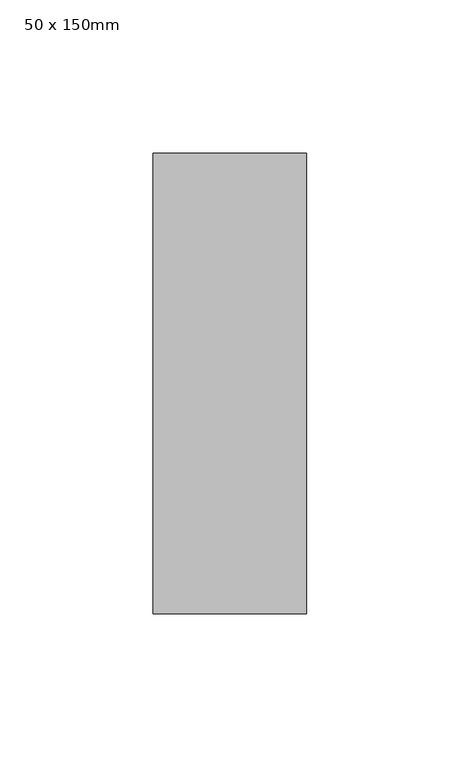
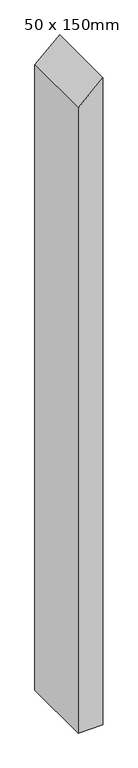
"""IFC4 building model written with IfcOpenShell, lengths in millimetres: member geometry, 50 x 150mm."""

from ifc_helpers import new_model, si_unit, frame, origin, place, context, project, spatial, polyline, outline, extrude, source, transform, mapped, element, save


def member_50_x_150mm_0423bb0d(model_context):
    return source(origin(), model_context, "Body", "SweptSolid", [
        extrude(outline(polyline([(0.0, 0.0), (-46.1435685, -50.0), (-1372.9461313, -50.0), (-1372.9461313, 0.0), (0.0, 0.0)])), frame((0.0, -75.0, 0.0), z_axis=(0.0, 1.0, 0.0), x_axis=(0.0, 0.0, 1.0)), (0.0, 0.0, 1.0), 150.0),
    ])


if __name__ == "__main__":
    model = new_model("IFC4")
    model_context = context("Model", 3, world=origin())
    ifc_project = project(units=[si_unit("LENGTHUNIT", "METRE", prefix="MILLI")], contexts=[model_context])
    site = spatial("IfcSite", under=ifc_project)
    building = spatial("IfcBuilding", under=site)
    placement = place(None, origin())
    member_50_x_150mm_shape = member_50_x_150mm_0423bb0d(model_context)
    element("IfcMember", 1, ObjectType="50 x 150mm", at=placement, inside=building, context=model_context, shape_type="MappedRepresentation", body=[
        mapped(member_50_x_150mm_shape, transform((0.0, 0.0, 0.0), x_axis=(1.0, 0.0, 0.0), y_axis=(0.0, 1.0, 0.0), z_axis=(0.0, 0.0, 1.0))),
    ])
    save(model, "model.ifc")
